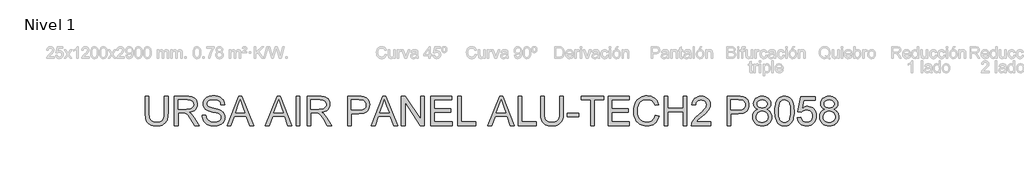
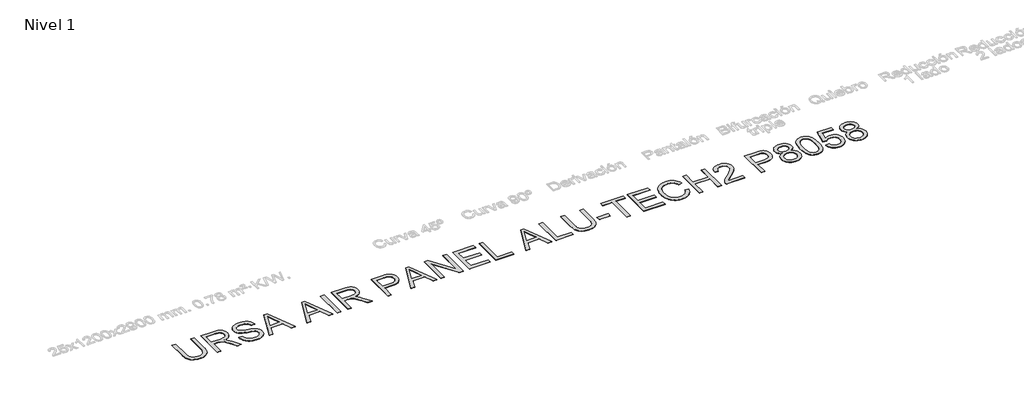
# One storey, part 3 of 7: 1 proxy.
"""IFC4 building model written with IfcOpenShell, lengths in millimetres."""

from ifc_helpers import new_model, si_unit, origin, origin_with_axes, place, context, project, spatial, polyline, outline, extrude, element, save

model = new_model("IFC4")

# Units and contexts
model_context = context("Model", 3, world=origin())
ifc_project = project(units=[si_unit("LENGTHUNIT", "METRE", prefix="MILLI")], contexts=[model_context])

# Site, building, storey
site = spatial("IfcSite", under=ifc_project)
building = spatial("IfcBuilding", under=site)
storey = spatial("IfcBuildingStorey", under=building, Name="Nivel 1", Elevation=0.0)

# Proxy
placement = place(None, origin())
element("IfcBuildingElementProxy", 1, Name="Texto de modelo 2", ObjectType="Texto de modelo 2", at=placement, inside=storey, context=model_context, shape_type="SweptSolid", body=[
    extrude(outline(polyline([(-18660.536209, -2321.7490961), (-18534.9658214, -2321.7490961), (-18534.9658214, -2901.2858659), (-18537.0964712, -2973.0458476), (-18543.4884209, -3037.0036653), (-18554.1416704, -3093.159319), (-18569.0562196, -3141.5128087), (-18589.5196556, -3183.8958802), (-18616.8195653, -3222.1402793), (-18650.9559488, -3256.246006), (-18691.928806, -3286.2130602), (-18739.7841222, -3310.6235634), (-18794.5678826, -3328.0596371), (-18856.2800873, -3338.5212813), (-18924.9207362, -3342.0084961), (-18991.8675952, -3338.9734696), (-19052.4225044, -3329.8683902), (-19106.585464, -3314.6932579), (-19154.3564739, -3293.4480727), (-19195.7431984, -3266.4470671), (-19230.7533016, -3234.0044737), (-19259.3867835, -3196.1202924), (-19281.6436442, -3152.7945232), (-19298.3286256, -3102.5403099), (-19310.2464694, -3043.8707958), (-19317.3971756, -2976.7859812), (-19319.7807444, -2901.2858659), (-19319.7807444, -2321.7490961), (-19194.2103567, -2321.7490961), (-19194.2103567, -2896.8712819), (-19192.6621866, -2957.5794753), (-19188.0176765, -3009.7190839), (-19180.2768261, -3053.2901078), (-19169.4396357, -3088.2925467), (-19154.8316548, -3117.2555897), (-19135.7784331, -3142.7084252), (-19112.2799707, -3164.6510534), (-19084.3362675, -3183.0834742), (-19052.4838181, -3197.6761266), (-19017.259117, -3208.0994498), (-18978.6621644, -3214.3534438), (-18936.6929601, -3216.4381084), (-18867.4851597, -3212.3147644), (-18808.9765941, -3199.9447323), (-18761.1672631, -3179.3280121), (-18741.2748107, -3165.927144), (-18724.0571669, -3150.4646039), (-18709.1694424, -3132.0705042), (-18696.2667478, -3109.8749571), (-18676.4164485, -3054.0795212), (-18664.5062689, -2983.0782961), (-18660.536209, -2896.8712819), (-18660.536209, -2321.7490961)])), origin_with_axes(), (0.0, 0.0, 1.0), 10.0),
    extrude(outline(polyline([(-18315.2176429, -3326.3121976), (-18315.2176429, -2321.7490961), (-17882.3431619, -2321.7490961), (-17820.2094258, -2323.4428862), (-17766.0004809, -2328.5242562), (-17719.7163274, -2336.9932063), (-17681.3569652, -2348.8497364), (-17648.6921097, -2365.0058874), (-17619.4914764, -2386.3737), (-17593.7550651, -2412.9531741), (-17571.482876, -2444.7443099), (-17553.5103077, -2480.0379888), (-17540.6727589, -2517.1250924), (-17532.9702296, -2556.0056208), (-17530.4027199, -2596.6795739), (-17534.6563554, -2648.2750237), (-17547.4172621, -2695.6398306), (-17568.68544, -2738.7739945), (-17598.460889, -2777.6775155), (-17637.1268195, -2811.1087918), (-17685.066442, -2837.8262217), (-17742.2797565, -2857.8298052), (-17808.7667629, -2871.1195423), (-17767.3800384, -2898.1588689), (-17737.3976558, -2924.8303136), (-17685.9554902, -2985.8374111), (-17635.6169705, -3054.0795212), (-17468.1080353, -3326.3121976), (-17614.0345601, -3326.3121976), (-17744.7552957, -3118.0909884), (-17797.0558527, -3038.6284774), (-17839.1783411, -2980.2578675), (-17874.2804148, -2940.0667595), (-17905.5197276, -2915.1427544), (-17935.1035714, -2900.519445), (-17965.2392382, -2891.2304247), (-18038.0798732, -2886.8158407), (-18189.6472552, -2886.8158407), (-18189.6472552, -3326.3121976), (-18315.2176429, -3326.3121976)]), holes=[polyline([(-18189.6472552, -2761.245453), (-17908.5854109, -2761.245453), (-17827.8659698, -2756.8002123), (-17765.2340601, -2743.4644899), (-17740.0494719, -2733.2404362), (-17718.0838511, -2720.3492379), (-17699.3371977, -2704.7908952), (-17683.8095118, -2686.565408), (-17671.631085, -2666.5694887), (-17662.9322086, -2645.6998497), (-17657.7128828, -2623.956491), (-17655.9731075, -2601.3394125), (-17659.2917097, -2569.22638), (-17669.2475162, -2540.0870603), (-17685.840527, -2513.9214534), (-17709.0707422, -2490.7295593), (-17739.4746562, -2471.7376513), (-17777.5887638, -2458.1720027), (-17823.4130648, -2450.0326135), (-17876.9475593, -2447.3194838), (-18189.6472552, -2447.3194838), (-18189.6472552, -2761.245453)])]), origin_with_axes(), (0.0, 0.0, 1.0), 10.0),
    extrude(outline(polyline([(-17357.7434368, -2980.9936315), (-17232.1730491, -2980.9936315), (-17226.4248929, -3017.5442406), (-17217.7643376, -3050.6766127), (-17206.1913832, -3080.3907481), (-17191.7060296, -3106.6866465), (-17173.572513, -3130.0931385), (-17151.0550692, -3151.1390543), (-17124.1536983, -3169.8243939), (-17092.8684003, -3186.1491575), (-17058.3488064, -3199.4005735), (-17021.7445479, -3208.8658707), (-16983.0556247, -3214.545049), (-16942.2820369, -3216.4381084), (-16872.3231442, -3210.7052806), (-16840.6086505, -3203.5392459), (-16811.070792, -3193.5067974), (-16784.4376683, -3180.9681527), (-16761.4373794, -3166.2835297), (-16742.0699252, -3149.4529284), (-16726.3353057, -3130.4763489), (-16714.1568789, -3110.1738613), (-16705.4580025, -3089.3655359), (-16700.2386767, -3068.0513728), (-16698.4989014, -3046.231372), (-16703.710563, -3004.200854), (-16719.3455478, -2967.872507), (-16732.4973292, -2951.7546771), (-16751.1060267, -2936.8784489), (-16775.1716406, -2923.2438225), (-16804.6941707, -2910.8507977), (-16871.0049003, -2891.1384542), (-16987.5315223, -2862.903511), (-17107.5530232, -2831.173689), (-17151.3539733, -2815.8835935), (-17184.3483897, -2800.9767085), (-17217.8793007, -2780.973125), (-17246.8576721, -2758.7315927), (-17271.2835037, -2734.2521116), (-17291.1567957, -2707.5346817), (-17306.55419, -2678.8552145), (-17317.5523288, -2648.4896215), (-17324.1512121, -2616.4379027), (-17326.3508399, -2582.700058), (-17323.6300459, -2545.3063861), (-17315.4676642, -2509.1543158), (-17301.8636946, -2474.2438473), (-17282.8181371, -2440.5749806), (-17258.5455896, -2409.5196088), (-17229.26065, -2382.4496253), (-17194.9633181, -2359.3650301), (-17155.6535941, -2340.2658232), (-17112.6573859, -2325.2976245), (-17067.3006016, -2314.6060541), (-17019.5832411, -2308.1911118), (-16969.5053045, -2306.0527977), (-16914.8748283, -2308.2907465), (-16863.5552899, -2315.0045929), (-16815.5466896, -2326.1943369), (-16770.8490272, -2341.8599785), (-16730.2900372, -2361.863562), (-16694.6974541, -2386.0671316), (-16664.0712781, -2414.4706873), (-16638.4115089, -2447.0742292), (-16617.9174161, -2482.9273953), (-16602.788269, -2521.0798239), (-16593.0240677, -2561.5315149), (-16588.6248122, -2604.2824684), (-16714.1951999, -2604.2824684), (-16722.5951721, -2564.2139878), (-16737.2491383, -2529.3571687), (-16758.1570983, -2499.7120113), (-16785.3190523, -2475.2785155), (-16819.2408379, -2456.1793085), (-16860.428293, -2442.5370179), (-16908.8814174, -2434.3516435), (-16964.6002113, -2431.6231854), (-17022.0971014, -2434.3209867), (-17071.2246762, -2442.4143906), (-17111.9829356, -2455.903397), (-17144.3718796, -2474.7880061), (-17169.0506301, -2497.4893909), (-17186.678309, -2522.4287245), (-17197.2549164, -2549.6060069), (-17200.7804522, -2579.0212381), (-17198.2819203, -2604.3284537), (-17190.7863246, -2627.2750931), (-17178.2936652, -2647.8611564), (-17160.803942, -2666.0866436), (-17133.2741061, -2683.3464406), (-17089.9253443, -2700.7901785), (-17030.7576567, -2718.4178574), (-16955.7710434, -2736.2294774), (-16817.3247859, -2769.8906799), (-16768.6110783, -2785.1117975), (-16733.5703183, -2799.2599259), (-16695.0730004, -2820.7043805), (-16661.9866134, -2844.8159796), (-16634.3111575, -2871.5947232), (-16612.0466326, -2901.0406112), (-16594.9324556, -2933.0003595), (-16582.7080435, -2967.320684), (-16575.3733962, -3004.0015846), (-16572.9285137, -3043.0430613), (-16575.7412782, -3082.3221285), (-16584.1795714, -3120.4515645), (-16598.2433935, -3157.4313692), (-16617.9327445, -3193.2615427), (-16642.9027349, -3226.5548633), (-16672.8084754, -3255.9241092), (-16707.6499661, -3281.3692806), (-16747.4272068, -3302.8903773), (-16790.9829022, -3320.0045543), (-16837.1597568, -3332.2289664), (-16885.9577706, -3339.5636137), (-16937.3769436, -3342.0084961), (-17001.6106728, -3339.3720085), (-17060.4028142, -3331.4625456), (-17113.7533677, -3318.2801074), (-17161.6623334, -3299.824694), (-17204.4209511, -3276.0656485), (-17242.3204608, -3246.972314), (-17275.3608625, -3212.5446906), (-17303.5421562, -3172.7827783), (-17326.243541, -3128.974164), (-17342.844216, -3082.4064348), (-17353.3441813, -3033.0795906), (-17357.7434368, -2980.9936315)])), origin_with_axes(), (0.0, 0.0, 1.0), 10.0),
    extrude(outline(polyline([(-16501.5594067, -3326.3121976), (-16100.5680319, -2321.7490961), (-15993.6369987, -2321.7490961), (-15592.6456239, -3326.3121976), (-15725.3283969, -3326.3121976), (-15840.352834, -3012.3862284), (-16254.0974513, -3012.3862284), (-16368.8766338, -3326.3121976), (-16501.5594067, -3326.3121976)]), holes=[polyline([(-16207.9895745, -2886.8158407), (-15886.2154561, -2886.8158407), (-15976.7144269, -2639.8443946), (-16047.1025153, -2447.3194838), (-16109.6424545, -2618.2619842), (-16207.9895745, -2886.8158407)])]), origin_with_axes(), (0.0, 0.0, 1.0), 10.0),
    extrude(outline(polyline([(-15183.070336, -3326.3121976), (-14782.0789612, -2321.7490961), (-14675.147928, -2321.7490961), (-14274.1565532, -3326.3121976), (-14406.8393261, -3326.3121976), (-14521.8637633, -3012.3862284), (-14935.6083805, -3012.3862284), (-15050.387563, -3326.3121976), (-15183.070336, -3326.3121976)]), holes=[polyline([(-14889.5005038, -2886.8158407), (-14567.7263854, -2886.8158407), (-14658.2253562, -2639.8443946), (-14728.6134446, -2447.3194838), (-14791.1533838, -2618.2619842), (-14889.5005038, -2886.8158407)])]), origin_with_axes(), (0.0, 0.0, 1.0), 10.0),
    extrude(outline(polyline([(-14124.3059538, -3326.3121976), (-14124.3059538, -2321.7490961), (-13998.7355662, -2321.7490961), (-13998.7355662, -3326.3121976), (-14124.3059538, -3326.3121976)])), origin_with_axes(), (0.0, 0.0, 1.0), 10.0),
    extrude(outline(polyline([(-13747.5947908, -3326.3121976), (-13747.5947908, -2321.7490961), (-13314.7203098, -2321.7490961), (-13252.5865737, -2323.4428862), (-13198.3776288, -2328.5242562), (-13152.0934753, -2336.9932063), (-13113.7341131, -2348.8497364), (-13081.0692576, -2365.0058874), (-13051.8686242, -2386.3737), (-13026.132213, -2412.9531741), (-13003.8600239, -2444.7443099), (-12985.8874556, -2480.0379888), (-12973.0499068, -2517.1250924), (-12965.3473775, -2556.0056208), (-12962.7798677, -2596.6795739), (-12967.0335033, -2648.2750237), (-12979.79441, -2695.6398306), (-13001.0625879, -2738.7739945), (-13030.8380369, -2777.6775155), (-13069.5039674, -2811.1087918), (-13117.4435899, -2837.8262217), (-13174.6569043, -2857.8298052), (-13241.1439108, -2871.1195423), (-13199.7571863, -2898.1588689), (-13169.7748037, -2924.8303136), (-13118.332638, -2985.8374111), (-13067.9941184, -3054.0795212), (-12900.4851832, -3326.3121976), (-13046.411708, -3326.3121976), (-13177.1324436, -3118.0909884), (-13229.4330006, -3038.6284774), (-13271.555489, -2980.2578675), (-13306.6575627, -2940.0667595), (-13337.8968755, -2915.1427544), (-13367.4807193, -2900.519445), (-13397.616386, -2891.2304247), (-13470.4570211, -2886.8158407), (-13622.0244031, -2886.8158407), (-13622.0244031, -3326.3121976), (-13747.5947908, -3326.3121976)]), holes=[polyline([(-13622.0244031, -2761.245453), (-13340.9625588, -2761.245453), (-13260.2431177, -2756.8002123), (-13197.611208, -2743.4644899), (-13172.4266197, -2733.2404362), (-13150.4609989, -2720.3492379), (-13131.7143456, -2704.7908952), (-13116.1866597, -2686.565408), (-13104.0082329, -2666.5694887), (-13095.3093565, -2645.6998497), (-13090.0900307, -2623.956491), (-13088.3502554, -2601.3394125), (-13091.6688576, -2569.22638), (-13101.6246641, -2540.0870603), (-13118.2176749, -2513.9214534), (-13141.4478901, -2490.7295593), (-13171.8518041, -2471.7376513), (-13209.9659117, -2458.1720027), (-13255.7902127, -2450.0326135), (-13309.3247072, -2447.3194838), (-13622.0244031, -2447.3194838), (-13622.0244031, -2761.245453)])]), origin_with_axes(), (0.0, 0.0, 1.0), 10.0),
    extrude(outline(polyline([(-12350.6242278, -3326.3121976), (-12350.6242278, -2321.7490961), (-11978.3276487, -2321.7490961), (-11891.6301251, -2324.1403291), (-11828.2317946, -2331.314028), (-11793.2906693, -2338.8479447), (-11761.3079283, -2349.1869616), (-11732.2835718, -2362.3310787), (-11706.2175996, -2378.2802961), (-11682.8341002, -2397.3641746), (-11661.8571623, -2419.9122752), (-11643.2867858, -2445.9245979), (-11627.1229706, -2475.4011428), (-11614.0325029, -2507.3685553), (-11604.6821689, -2540.8534811), (-11599.0719685, -2575.8559201), (-11597.2019016, -2612.3758723), (-11602.2526149, -2674.0420918), (-11617.4047545, -2730.7725611), (-11642.6583207, -2782.5672803), (-11678.0133133, -2829.4262495), (-11700.2490974, -2850.2345748), (-11726.550744, -2868.2684568), (-11756.9182531, -2883.5278954), (-11791.3516246, -2896.0128906), (-11829.8508586, -2905.7234424), (-11872.4159551, -2912.6595509), (-11969.7437354, -2918.2084376), (-12225.0538401, -2918.2084376), (-12225.0538401, -3326.3121976), (-12350.6242278, -3326.3121976)]), holes=[polyline([(-12225.0538401, -2792.63805), (-11962.3860955, -2792.63805), (-11901.9921347, -2789.7563077), (-11851.0404783, -2781.1110808), (-11809.5311265, -2766.7023693), (-11777.4640793, -2746.5301732), (-11753.5364212, -2721.1309871), (-11736.4452368, -2691.0413056), (-11726.1905262, -2656.2611287), (-11722.7722893, -2616.7904563), (-11724.7879761, -2587.482524), (-11730.8350364, -2560.3818837), (-11740.9134702, -2535.4885353), (-11755.0232776, -2512.802479), (-11772.4133661, -2493.0594786), (-11792.3326433, -2476.9952981), (-11814.7811092, -2464.6099376), (-11839.7587638, -2455.903397), (-11888.1965598, -2449.4654621), (-11965.3291515, -2447.3194838), (-12225.0538401, -2447.3194838), (-12225.0538401, -2792.63805)])]), origin_with_axes(), (0.0, 0.0, 1.0), 10.0),
    extrude(outline(polyline([(-11541.529093, -3326.3121976), (-11140.5377183, -2321.7490961), (-11033.606685, -2321.7490961), (-10632.6153103, -3326.3121976), (-10765.2980832, -3326.3121976), (-10880.3225204, -3012.3862284), (-11294.0671376, -3012.3862284), (-11408.8463201, -3326.3121976), (-11541.529093, -3326.3121976)]), holes=[polyline([(-11247.9592609, -2886.8158407), (-10926.1851424, -2886.8158407), (-11016.6841133, -2639.8443946), (-11087.0722017, -2447.3194838), (-11149.6121408, -2618.2619842), (-11247.9592609, -2886.8158407)])]), origin_with_axes(), (0.0, 0.0, 1.0), 10.0),
    extrude(outline(polyline([(-10498.4610094, -3326.3121976), (-10498.4610094, -2321.7490961), (-10364.0614538, -2321.7490961), (-9839.216474, -3117.600479), (-9839.216474, -2321.7490961), (-9713.6460863, -2321.7490961), (-9713.6460863, -3326.3121976), (-9848.0456419, -3326.3121976), (-10372.8906217, -2530.2155601), (-10372.8906217, -3326.3121976), (-10498.4610094, -3326.3121976)])), origin_with_axes(), (0.0, 0.0, 1.0), 10.0),
    extrude(outline(polyline([(-9493.8979079, -3326.3121976), (-9493.8979079, -2321.7490961), (-8771.8681787, -2321.7490961), (-8771.8681787, -2447.3194838), (-9368.3275202, -2447.3194838), (-9368.3275202, -2745.5491546), (-8803.2607756, -2745.5491546), (-8803.2607756, -2871.1195423), (-9368.3275202, -2871.1195423), (-9368.3275202, -3200.7418099), (-8756.1718802, -3200.7418099), (-8756.1718802, -3326.3121976), (-9493.8979079, -3326.3121976)])), origin_with_axes(), (0.0, 0.0, 1.0), 10.0),
    extrude(outline(polyline([(-8567.8162987, -3326.3121976), (-8567.8162987, -2321.7490961), (-8442.245911, -2321.7490961), (-8442.245911, -3200.7418099), (-7939.9643603, -3200.7418099), (-7939.9643603, -3326.3121976), (-8567.8162987, -3326.3121976)])), origin_with_axes(), (0.0, 0.0, 1.0), 10.0),
    extrude(outline(polyline([(-7523.2766871, -3326.3121976), (-7122.2853123, -2321.7490961), (-7015.3542791, -2321.7490961), (-6614.3629043, -3326.3121976), (-6747.0456772, -3326.3121976), (-6862.0701144, -3012.3862284), (-7275.8147316, -3012.3862284), (-7390.5939141, -3326.3121976), (-7523.2766871, -3326.3121976)]), holes=[polyline([(-7229.7068549, -2886.8158407), (-6907.9327365, -2886.8158407), (-6998.4317073, -2639.8443946), (-7068.8197957, -2447.3194838), (-7131.3597349, -2618.2619842), (-7229.7068549, -2886.8158407)])]), origin_with_axes(), (0.0, 0.0, 1.0), 10.0),
    extrude(outline(polyline([(-6480.2086034, -3326.3121976), (-6480.2086034, -2321.7490961), (-6354.6382157, -2321.7490961), (-6354.6382157, -3200.7418099), (-5852.356665, -3200.7418099), (-5852.356665, -3326.3121976), (-6480.2086034, -3326.3121976)])), origin_with_axes(), (0.0, 0.0, 1.0), 10.0),
    extrude(outline(polyline([(-5051.8454435, -2321.7490961), (-4926.2750558, -2321.7490961), (-4926.2750558, -2901.2858659), (-4928.4057057, -2973.0458476), (-4934.7976553, -3037.0036653), (-4945.4509048, -3093.159319), (-4960.365454, -3141.5128087), (-4980.82889, -3183.8958802), (-5008.1287997, -3222.1402793), (-5042.2651832, -3256.246006), (-5083.2380404, -3286.2130602), (-5131.0933566, -3310.6235634), (-5185.877117, -3328.0596371), (-5247.5893217, -3338.5212813), (-5316.2299707, -3342.0084961), (-5383.1768296, -3338.9734696), (-5443.7317388, -3329.8683902), (-5497.8946984, -3314.6932579), (-5545.6657083, -3293.4480727), (-5587.0524328, -3266.4470671), (-5622.062536, -3234.0044737), (-5650.6960179, -3196.1202924), (-5672.9528787, -3152.7945232), (-5689.63786, -3102.5403099), (-5701.5557038, -3043.8707958), (-5708.7064101, -2976.7859812), (-5711.0899788, -2901.2858659), (-5711.0899788, -2321.7490961), (-5585.5195911, -2321.7490961), (-5585.5195911, -2896.8712819), (-5583.9714211, -2957.5794753), (-5579.3269109, -3009.7190839), (-5571.5860606, -3053.2901078), (-5560.7488701, -3088.2925467), (-5546.1408892, -3117.2555897), (-5527.0876676, -3142.7084252), (-5503.5892051, -3164.6510534), (-5475.6455019, -3183.0834742), (-5443.7930525, -3197.6761266), (-5408.5683515, -3208.0994498), (-5369.9713988, -3214.3534438), (-5328.0021945, -3216.4381084), (-5258.7943942, -3212.3147644), (-5200.2858285, -3199.9447323), (-5152.4764976, -3179.3280121), (-5132.5840451, -3165.927144), (-5115.3664013, -3150.4646039), (-5100.4786768, -3132.0705042), (-5087.5759822, -3109.8749571), (-5067.7256829, -3054.0795212), (-5055.8155033, -2983.0782961), (-5051.8454435, -2896.8712819), (-5051.8454435, -2321.7490961)])), origin_with_axes(), (0.0, 0.0, 1.0), 10.0),
    extrude(outline(polyline([(-4785.0083696, -3028.0825269), (-4785.0083696, -2902.5121392), (-4392.6009081, -2902.5121392), (-4392.6009081, -3028.0825269), (-4785.0083696, -3028.0825269)])), origin_with_axes(), (0.0, 0.0, 1.0), 10.0),
    extrude(outline(polyline([(-3984.4971481, -3326.3121976), (-3984.4971481, -2447.3194838), (-4314.1194158, -2447.3194838), (-4314.1194158, -2321.7490961), (-3529.3044928, -2321.7490961), (-3529.3044928, -2447.3194838), (-3858.9267604, -2447.3194838), (-3858.9267604, -3326.3121976), (-3984.4971481, -3326.3121976)])), origin_with_axes(), (0.0, 0.0, 1.0), 10.0),
    extrude(outline(polyline([(-3388.0378066, -3326.3121976), (-3388.0378066, -2321.7490961), (-2666.0080774, -2321.7490961), (-2666.0080774, -2447.3194838), (-3262.4674189, -2447.3194838), (-3262.4674189, -2745.5491546), (-2697.4006743, -2745.5491546), (-2697.4006743, -2871.1195423), (-3262.4674189, -2871.1195423), (-3262.4674189, -3200.7418099), (-2650.3117789, -3200.7418099), (-2650.3117789, -3326.3121976), (-3388.0378066, -3326.3121976)])), origin_with_axes(), (0.0, 0.0, 1.0), 10.0),
    extrude(outline(polyline([(-1755.6227667, -2969.2214076), (-1630.052379, -3001.5950232), (-1654.8997421, -3079.6856409), (-1687.9937932, -3147.9200868), (-1729.3345324, -3206.2983609), (-1753.0974101, -3231.7914335), (-1778.9219597, -3254.8204632), (-1835.6371006, -3292.9652276), (-1898.3609808, -3320.2114879), (-1967.0936002, -3336.559244), (-2041.8349589, -3342.0084961), (-2118.4080634, -3337.8851521), (-2187.4855722, -3325.51512), (-2249.0674853, -3304.8983998), (-2303.1538028, -3276.0349916), (-2350.4879529, -3239.354091), (-2391.8133637, -3195.2848937), (-2427.1300352, -3143.8273996), (-2456.4379675, -3084.9816088), (-2479.4535848, -3021.2920384), (-2495.8933115, -2955.3032055), (-2505.7571475, -2887.0151101), (-2509.0450928, -2816.4277523), (-2505.3279518, -2740.6900466), (-2494.1765288, -2669.9494046), (-2475.5908239, -2604.2058263), (-2449.5708369, -2543.4593119), (-2416.6990478, -2488.7138725), (-2377.5579364, -2440.9735194), (-2332.1475026, -2400.2382526), (-2280.4677465, -2366.5080722), (-2224.2737717, -2340.0588896), (-2165.320682, -2321.1666163), (-2103.6084773, -2309.8312523), (-2039.1371576, -2306.0527977), (-1967.3158623, -2310.9425625), (-1901.4573209, -2325.6118571), (-1841.5615336, -2350.0606813), (-1787.6285003, -2384.2890353), (-1740.5472691, -2427.3925424), (-1701.2068882, -2478.4668261), (-1669.6073577, -2537.5118863), (-1645.7486775, -2604.5277231), (-1771.3190651, -2634.448792), (-1791.0927224, -2585.0682984), (-1814.8517679, -2542.8768321), (-1842.5962017, -2507.8743931), (-1874.3260238, -2480.0609814), (-1910.2251752, -2458.8694456), (-1950.4775968, -2443.7326344), (-1995.0832887, -2434.6505476), (-2044.0422509, -2431.6231854), (-2100.3741814, -2434.9801086), (-2151.8929891, -2445.0508782), (-2198.5986741, -2461.8354942), (-2240.4912363, -2485.3339567), (-2277.0418454, -2514.4886048), (-2307.7216709, -2548.2417778), (-2332.530713, -2586.5934758), (-2351.4689715, -2629.5436988), (-2365.47148, -2675.1457377), (-2375.4732717, -2721.4528839), (-2381.4743468, -2768.4651372), (-2383.4747051, -2816.1824977), (-2381.1064648, -2876.1472629), (-2374.0017437, -2932.1879535), (-2362.160542, -2984.3045694), (-2345.5828596, -3032.4971108), (-2324.0004492, -3075.8075515), (-2297.1450636, -3113.2778656), (-2265.0167027, -3144.908053), (-2227.6153665, -3170.6981137), (-2186.7574724, -3190.7093614), (-2144.2594377, -3205.0031097), (-2100.1212625, -3213.5793587), (-2054.3429468, -3216.4381084), (-1999.7507915, -3212.5446906), (-1949.527235, -3200.8644373), (-1903.6722771, -3181.3973484), (-1862.1859179, -3154.1434239), (-1826.0491761, -3119.2252912), (-1796.2430703, -3076.7655776), (-1772.7676005, -3026.7642831), (-1755.6227667, -2969.2214076)])), origin_with_axes(), (0.0, 0.0, 1.0), 10.0),
    extrude(outline(polyline([(-1457.3930959, -3326.3121976), (-1457.3930959, -2321.7490961), (-1331.8227082, -2321.7490961), (-1331.8227082, -2729.8528561), (-798.1485606, -2729.8528561), (-798.1485606, -2321.7490961), (-672.5781729, -2321.7490961), (-672.5781729, -3326.3121976), (-798.1485606, -3326.3121976), (-798.1485606, -2855.4232438), (-1331.8227082, -2855.4232438), (-1331.8227082, -3326.3121976), (-1457.3930959, -3326.3121976)])), origin_with_axes(), (0.0, 0.0, 1.0), 10.0),
    extrude(outline(polyline([(143.6293471, -3200.7418099), (143.6293471, -3326.3121976), (-515.6151883, -3326.3121976), (-512.8560733, -3282.1050445), (-502.1261818, -3239.7373014), (-488.4379059, -3205.6545674), (-471.1627805, -3172.0776712), (-450.3008057, -3139.0066126), (-425.8519814, -3106.4413918), (-396.3447797, -3073.1097502), (-360.3076726, -3037.7394292), (-268.6437422, -2960.8827491), (-133.1405406, -2840.524023), (-85.7144201, -2792.162869), (-51.8386197, -2751.6805212), (-28.1255594, -2715.382831), (-11.1876592, -2679.5756501), (-1.0249191, -2644.2589786), (2.3626609, -2609.4328164), (-0.8333139, -2576.6683262), (-10.4212384, -2546.555652), (-26.4011126, -2519.0947939), (-48.7729364, -2494.2857519), (-76.2951082, -2473.7380096), (-107.7260261, -2459.0610508), (-143.0656903, -2450.2548756), (-182.3141006, -2447.3194838), (-223.6625041, -2450.1858977), (-260.6423088, -2458.7851393), (-293.2535148, -2473.1172087), (-321.4961221, -2493.1821059), (-344.3431269, -2518.3053805), (-360.7675251, -2547.8125822), (-370.7693169, -2581.703711), (-374.3485021, -2619.9787669), (-499.9188898, -2604.2824684), (-489.1200204, -2539.4585952), (-469.4766547, -2482.8200964), (-440.9887927, -2434.3669719), (-403.6564344, -2394.0992219), (-358.3379711, -2362.4460418), (-305.8917942, -2339.8366276), (-246.3179036, -2326.270979), (-179.6162993, -2321.7490961), (-112.3168868, -2326.7768167), (-52.4210995, -2341.8599785), (0.0710627, -2366.9985815), (45.1595997, -2402.1926257), (81.3729836, -2444.8362804), (107.2396864, -2492.3237146), (122.7597081, -2544.6549284), (127.9330486, -2601.8299218), (122.353505, -2661.8866575), (105.6148743, -2720.9010609), (75.9084031, -2780.9271398), (31.4253386, -2844.018902), (0.7301846, -2879.0060125), (-39.483916, -2919.3427405), (-148.4689571, -3016.0650484), (-292.9239539, -3136.8529701), (-324.2552371, -3168.7054195), (-349.5777811, -3200.7418099), (143.6293471, -3200.7418099)])), origin_with_axes(), (0.0, 0.0, 1.0), 10.0),
    extrude(outline(polyline([(708.6960917, -3326.3121976), (708.6960917, -2321.7490961), (1080.9926708, -2321.7490961), (1167.6901943, -2324.1403291), (1231.0885248, -2331.314028), (1266.0296502, -2338.8479447), (1298.0123911, -2349.1869616), (1327.0367477, -2362.3310787), (1353.1027199, -2378.2802961), (1376.4862192, -2397.3641746), (1397.4631571, -2419.9122752), (1416.0335337, -2445.9245979), (1432.1973489, -2475.4011428), (1445.2878165, -2507.3685553), (1454.6381506, -2540.8534811), (1460.248351, -2575.8559201), (1462.1184178, -2612.3758723), (1457.0677046, -2674.0420918), (1441.9155649, -2730.7725611), (1416.6619988, -2782.5672803), (1381.3070062, -2829.4262495), (1359.0712221, -2850.2345748), (1332.7695755, -2868.2684568), (1302.4020664, -2883.5278954), (1267.9686948, -2896.0128906), (1229.4694608, -2905.7234424), (1186.9043644, -2912.6595509), (1089.576584, -2918.2084376), (834.2664794, -2918.2084376), (834.2664794, -3326.3121976), (708.6960917, -3326.3121976)]), holes=[polyline([(834.2664794, -2792.63805), (1096.9342239, -2792.63805), (1157.3281848, -2789.7563077), (1208.2798411, -2781.1110808), (1249.7891929, -2766.7023693), (1281.8562402, -2746.5301732), (1305.7838983, -2721.1309871), (1322.8750826, -2691.0413056), (1333.1297932, -2656.2611287), (1336.5480301, -2616.7904563), (1334.5323433, -2587.482524), (1328.4852831, -2560.3818837), (1318.4068492, -2535.4885353), (1304.2970419, -2512.802479), (1286.9069534, -2493.0594786), (1266.9876762, -2476.9952981), (1244.5392103, -2464.6099376), (1219.5615556, -2455.903397), (1171.1237596, -2449.4654621), (1093.991168, -2447.3194838), (834.2664794, -2447.3194838), (834.2664794, -2792.63805)])]), origin_with_axes(), (0.0, 0.0, 1.0), 10.0),
    extrude(outline(polyline([(1770.6487844, -2773.0176769), (1734.527371, -2757.9345151), (1703.4183498, -2739.9082973), (1677.3217208, -2718.9390236), (1656.2374839, -2695.0266939), (1639.9816983, -2668.4012345), (1628.3704228, -2639.2925716), (1621.4036575, -2607.7007053), (1619.0814024, -2573.6256355), (1624.1397798, -2522.4133961), (1639.3149121, -2475.4624565), (1664.6067993, -2432.7728166), (1700.0154413, -2394.3444765), (1743.839384, -2362.5839976), (1794.3771731, -2339.8979412), (1851.6288086, -2326.2863074), (1915.5942905, -2321.7490961), (1979.8663408, -2326.3936063), (2037.5471719, -2340.3271369), (2088.636784, -2363.5496878), (2133.135177, -2396.0612592), (2169.1876125, -2435.2406916), (2194.9393522, -2478.4668261), (2210.390396, -2525.7396625), (2215.5407439, -2577.0592008), (2213.2491457, -2609.9309899), (2206.3743509, -2640.6108155), (2194.9163596, -2669.0986775), (2178.8751717, -2695.3945759), (2158.1741453, -2719.1459572), (2132.7366382, -2740.0002678), (2102.5626504, -2757.9575077), (2067.6521819, -2773.0176769), (2108.9239432, -2790.5763779), (2144.9380577, -2812.8409029), (2175.6945253, -2839.8112516), (2201.1933461, -2871.4874243), (2221.2045938, -2907.1643136), (2235.4983422, -2946.1368124), (2244.0745912, -2988.4049209), (2246.9333408, -3033.9686388), (2241.2618268, -3096.6005485), (2224.2472845, -3154.0207966), (2195.889714, -3206.229383), (2156.1891154, -3253.2263079), (2132.6063466, -3274.0346333), (2107.2301532, -3292.0685152), (2080.060535, -3307.3279538), (2051.0974921, -3319.812949), (1987.7911321, -3336.4596093), (1917.3110732, -3342.0084961), (1846.8310143, -3336.4366167), (1783.5246543, -3319.7209785), (1754.5616113, -3307.1842499), (1727.3919932, -3291.8615816), (1702.0157997, -3273.7529736), (1678.433031, -3252.8584259), (1638.7324323, -3205.5319401), (1610.3748619, -3152.7025527), (1593.3603196, -3094.3702639), (1587.6888055, -3030.5350735), (1590.6625183, -2982.8943551), (1599.5836567, -2939.3003387), (1614.4522206, -2899.7530242), (1635.2682102, -2864.2524117), (1661.5717729, -2833.4422946), (1692.9030561, -2807.9664664), (1729.26206, -2787.8249272), (1770.6487844, -2773.0176769)]), holes=[polyline([(1744.6517901, -2577.3044554), (1747.4338977, -2606.0912216), (1755.7802205, -2632.1188727), (1769.6907584, -2655.3874089), (1789.1655115, -2675.8968302), (1813.9592251, -2692.6354609), (1843.8266446, -2704.5916258), (1878.76777, -2711.7653247), (1918.7826011, -2714.1565577), (1957.8087495, -2711.7806531), (1991.9911182, -2704.6529394), (2021.3297073, -2692.7734167), (2045.8245168, -2676.1420848), (2065.1383216, -2656.0618593), (2078.9338964, -2633.8356554), (2087.2112413, -2609.4634732), (2089.9703562, -2582.9453127), (2087.1192708, -2555.3924841), (2078.5660144, -2530.1235896), (2064.3105871, -2507.1386291), (2044.3529888, -2486.4376026), (2019.3063563, -2469.3234257), (1989.7838262, -2457.0990135), (1955.7853985, -2449.7643662), (1917.3110732, -2447.3194838), (1878.5378437, -2449.7107168), (1844.3784676, -2456.8844157), (1814.8329449, -2468.8405805), (1789.9012755, -2485.5792113), (1770.1046256, -2505.6594369), (1755.9641614, -2527.6403861), (1747.4798829, -2551.522059), (1744.6517901, -2577.3044554)]), polyline([(1713.2591932, -3026.1204896), (1718.5015116, -3074.1597468), (1734.2284669, -3120.6661623), (1746.7287905, -3142.2409085), (1763.2604877, -3161.2251523), (1783.8235584, -3177.6188937), (1808.4180026, -3191.4221327), (1862.4966559, -3210.1841145), (1918.2920918, -3216.4381084), (1963.6948614, -3213.1501631), (2003.763342, -3203.2863271), (2038.4975337, -3186.8466004), (2067.8974365, -3163.8309831), (2091.2886001, -3135.7416599), (2107.996574, -3104.0808157), (2118.0213584, -3068.8484505), (2121.3629532, -3030.0445642), (2117.9140595, -2990.619877), (2107.5673783, -2954.7513825), (2090.3229098, -2922.4390806), (2066.1806539, -2893.6829713), (2035.9836734, -2870.0772099), (2000.5750314, -2853.2159518), (1959.9547278, -2843.099197), (1914.1227625, -2839.7269453), (1869.3867791, -2843.0532117), (1829.8471288, -2853.0320108), (1795.5038117, -2869.6633427), (1766.3568278, -2892.9472073), (1743.1266127, -2921.2281357), (1726.5336018, -2952.8506589), (1716.5777953, -2987.8147768), (1713.2591932, -3026.1204896)])]), origin_with_axes(), (0.0, 0.0, 1.0), 10.0),
    extrude(outline(polyline([(2356.8074301, -2832.1240508), (2359.1143568, -2747.6568118), (2366.0351368, -2671.3289621), (2377.5697702, -2603.1405014), (2393.7182569, -2543.0914299), (2414.4116192, -2490.6912382), (2439.580879, -2445.449417), (2469.2260364, -2407.3659663), (2503.3470915, -2376.4408861), (2542.0590073, -2352.513228), (2585.4767469, -2335.4220436), (2633.6003104, -2325.167333), (2686.4296978, -2321.7490961), (2726.1302964, -2323.7724471), (2763.8075441, -2329.8425), (2799.4614408, -2339.9592549), (2833.0919865, -2354.1227117), (2863.8867752, -2372.09528), (2891.0334007, -2393.6393694), (2914.5318632, -2418.7549797), (2934.3821625, -2447.4421112), (2967.1236601, -2515.0710846), (2993.2432817, -2596.0664372), (3003.2220808, -2643.6994914), (3010.3497945, -2698.9201117), (3016.0519654, -2832.1240508), (3013.7680314, -2916.0547951), (3006.9162292, -2991.9994345), (2995.4965589, -3059.9579689), (2979.5090206, -3119.9303983), (2958.9766067, -3172.3535826), (2933.92231, -3217.6643817), (2904.3461304, -3255.8627956), (2870.248068, -3286.9488241), (2831.490167, -3311.0374306), (2787.9344716, -3328.2435781), (2739.5809818, -3338.5672666), (2686.4296978, -3342.0084961), (2617.2678827, -3336.0304137), (2585.6300311, -3328.5578106), (2555.9542168, -3318.0961664), (2528.2404398, -3304.645481), (2502.4887002, -3288.2057543), (2478.6989978, -3268.7769864), (2456.8713328, -3246.3591773), (2433.4188556, -3210.8623969), (2413.0933753, -3170.7134421), (2395.8948921, -3125.9123129), (2381.8234057, -3076.4590092), (2370.8789164, -3022.3535312), (2363.061424, -2963.5958788), (2358.3709286, -2900.186052), (2356.8074301, -2832.1240508)]), holes=[polyline([(2482.3778178, -2831.8787961), (2486.0566377, -2941.040114), (2497.0930976, -3029.4007707), (2515.4871973, -3096.9607663), (2527.4433622, -3122.9405161), (2541.238937, -3143.7201007), (2572.3862792, -3175.5342291), (2606.9671868, -3198.2586065), (2644.9816596, -3211.8932329), (2686.4296978, -3216.4381084), (2727.8777359, -3211.8779045), (2765.8922087, -3198.1972928), (2800.4731163, -3175.3962733), (2831.6204585, -3143.474846), (2845.4160333, -3122.6454441), (2857.3721982, -3096.6388695), (2875.7662979, -3029.0942024), (2886.8027578, -2940.8408446), (2890.4815777, -2831.8787961), (2886.9253851, -2725.6068848), (2876.2568073, -2638.8020623), (2858.4758442, -2571.4643288), (2846.9182181, -2545.0956204), (2833.5824958, -2523.5936842), (2802.9563197, -2490.2237215), (2767.9768733, -2466.3880339), (2728.6441567, -2452.0866213), (2684.9581698, -2447.3194838), (2643.7247295, -2451.5194699), (2606.3540501, -2464.1194283), (2572.8461317, -2485.1193588), (2543.2009743, -2514.5192616), (2528.945547, -2538.308964), (2516.5908433, -2566.6358776), (2497.5836069, -2636.9013387), (2486.179265, -2725.3156448), (2482.3778178, -2831.8787961)])]), origin_with_axes(), (0.0, 0.0, 1.0), 10.0),
    extrude(outline(polyline([(3125.9260547, -3059.4751238), (3251.4964423, -3043.7788253), (3260.8774332, -3084.1462101), (3274.5503807, -3119.1639775), (3292.5152848, -3148.8321276), (3314.7721455, -3173.1506603), (3341.2749776, -3192.0889188), (3371.9777958, -3205.6162464), (3406.8806001, -3213.7326429), (3445.9833905, -3216.4381084), (3493.8080498, -3212.6749822), (3535.9918519, -3201.3856034), (3572.5347968, -3182.5699722), (3603.4368844, -3156.2280885), (3628.008336, -3123.6628677), (3645.5593728, -3086.1772253), (3656.089995, -3043.7711611), (3659.6002023, -2996.4446753), (3656.312257, -2951.716356), (3646.448421, -2911.9544437), (3630.0086943, -2877.1589384), (3606.993077, -2847.3298399), (3577.3249269, -2823.4021818), (3540.927602, -2806.3109974), (3497.8011023, -2796.0562868), (3447.9454278, -2792.63805), (3387.0303007, -2798.0949662), (3360.9183433, -2804.9161115), (3337.7034565, -2814.465715), (3298.3094262, -2839.5430043), (3267.1927408, -2871.1195423), (3141.6223531, -2855.4232438), (3251.4964423, -2337.4453946), (3738.0816946, -2337.4453946), (3738.0816946, -2463.0157823), (3353.031873, -2463.0157823), (3299.3211017, -2739.6630427), (3343.6355537, -2707.9025637), (3389.0229949, -2685.2165074), (3435.4834252, -2671.6048735), (3483.0168446, -2667.0676623), (3544.1695621, -2672.6931911), (3600.3405443, -2689.5697776), (3651.5297911, -2717.6974219), (3697.7373025, -2757.0761238), (3735.9893658, -2805.299322), (3763.3122681, -2859.9604551), (3779.7060095, -2921.0595231), (3785.17059, -2988.5965261), (3780.2501683, -3053.6503255), (3765.4889033, -3114.1669137), (3740.8867948, -3170.1462907), (3706.443843, -3221.5884563), (3681.4431958, -3249.8119032), (3654.2659134, -3274.2722237), (3624.9119959, -3294.9694181), (3593.3814432, -3311.9034862), (3559.6742554, -3325.074428), (3523.7904324, -3334.4822436), (3485.7299744, -3340.126933), (3445.4928811, -3342.0084961), (3380.6920005, -3337.1723807), (3322.1604422, -3322.6640345), (3269.8982063, -3298.4834575), (3223.9052927, -3264.6306498), (3185.637901, -3222.791737), (3156.5522308, -3174.6528451), (3136.648282, -3120.213974), (3125.9260547, -3059.4751238)])), origin_with_axes(), (0.0, 0.0, 1.0), 10.0),
    extrude(outline(polyline([(4078.0046582, -2773.0176769), (4041.8832448, -2757.9345151), (4010.7742236, -2739.9082973), (3984.6775945, -2718.9390236), (3963.5933577, -2695.0266939), (3947.337572, -2668.4012345), (3935.7262965, -2639.2925716), (3928.7595313, -2607.7007053), (3926.4372762, -2573.6256355), (3931.4956536, -2522.4133961), (3946.6707859, -2475.4624565), (3971.9626731, -2432.7728166), (4007.3713151, -2394.3444765), (4051.1952578, -2362.5839976), (4101.7330469, -2339.8979412), (4158.9846824, -2326.2863074), (4222.9501643, -2321.7490961), (4287.2222145, -2326.3936063), (4344.9030457, -2340.3271369), (4395.9926578, -2363.5496878), (4440.4910508, -2396.0612592), (4476.5434863, -2435.2406916), (4502.2952259, -2478.4668261), (4517.7462697, -2525.7396625), (4522.8966177, -2577.0592008), (4520.6050194, -2609.9309899), (4513.7302246, -2640.6108155), (4502.2722333, -2669.0986775), (4486.2310455, -2695.3945759), (4465.5300191, -2719.1459572), (4440.0925119, -2740.0002678), (4409.9185241, -2757.9575077), (4375.0080556, -2773.0176769), (4416.2798169, -2790.5763779), (4452.2939314, -2812.8409029), (4483.0503991, -2839.8112516), (4508.5492199, -2871.4874243), (4528.5604676, -2907.1643136), (4542.8542159, -2946.1368124), (4551.4304649, -2988.4049209), (4554.2892146, -3033.9686388), (4548.6177005, -3096.6005485), (4531.6031582, -3154.0207966), (4503.2455878, -3206.229383), (4463.5449891, -3253.2263079), (4439.9622204, -3274.0346333), (4414.5860269, -3292.0685152), (4387.4164087, -3307.3279538), (4358.4533658, -3319.812949), (4295.1470058, -3336.4596093), (4224.6669469, -3342.0084961), (4154.186888, -3336.4366167), (4090.880528, -3319.7209785), (4061.9174851, -3307.1842499), (4034.7478669, -3291.8615816), (4009.3716734, -3273.7529736), (3985.7889047, -3252.8584259), (3946.0883061, -3205.5319401), (3917.7307356, -3152.7025527), (3900.7161933, -3094.3702639), (3895.0446792, -3030.5350735), (3898.018392, -2982.8943551), (3906.9395304, -2939.3003387), (3921.8080944, -2899.7530242), (3942.6240839, -2864.2524117), (3968.9276466, -2833.4422946), (4000.2589299, -2807.9664664), (4036.6179337, -2787.8249272), (4078.0046582, -2773.0176769)]), holes=[polyline([(4052.0076638, -2577.3044554), (4054.7897714, -2606.0912216), (4063.1360942, -2632.1188727), (4077.0466321, -2655.3874089), (4096.5213853, -2675.8968302), (4121.3150989, -2692.6354609), (4151.1825184, -2704.5916258), (4186.1236437, -2711.7653247), (4226.1384749, -2714.1565577), (4265.1646232, -2711.7806531), (4299.3469919, -2704.6529394), (4328.6855811, -2692.7734167), (4353.1803906, -2676.1420848), (4372.4941953, -2656.0618593), (4386.2897701, -2633.8356554), (4394.567115, -2609.4634732), (4397.32623, -2582.9453127), (4394.4751445, -2555.3924841), (4385.9218881, -2530.1235896), (4371.6664608, -2507.1386291), (4351.7088626, -2486.4376026), (4326.6622301, -2469.3234257), (4297.1397, -2457.0990135), (4263.1412722, -2449.7643662), (4224.6669469, -2447.3194838), (4185.8937175, -2449.7107168), (4151.7343414, -2456.8844157), (4122.1888186, -2468.8405805), (4097.2571493, -2485.5792113), (4077.4604994, -2505.6594369), (4063.3200352, -2527.6403861), (4054.8357567, -2551.522059), (4052.0076638, -2577.3044554)]), polyline([(4020.6150669, -3026.1204896), (4025.8573854, -3074.1597468), (4041.5843407, -3120.6661623), (4054.0846643, -3142.2409085), (4070.6163614, -3161.2251523), (4091.1794321, -3177.6188937), (4115.7738763, -3191.4221327), (4169.8525296, -3210.1841145), (4225.6479656, -3216.4381084), (4271.0507351, -3213.1501631), (4311.1192158, -3203.2863271), (4345.8534075, -3186.8466004), (4375.2533103, -3163.8309831), (4398.6444738, -3135.7416599), (4415.3524477, -3104.0808157), (4425.3772321, -3068.8484505), (4428.7188269, -3030.0445642), (4425.2699332, -2990.619877), (4414.9232521, -2954.7513825), (4397.6787836, -2922.4390806), (4373.5365276, -2893.6829713), (4343.3395472, -2870.0772099), (4307.9309052, -2853.2159518), (4267.3106015, -2843.099197), (4221.4786363, -2839.7269453), (4176.7426528, -2843.0532117), (4137.2030026, -2853.0320108), (4102.8596855, -2869.6633427), (4073.7127016, -2892.9472073), (4050.4824864, -2921.2281357), (4033.8894756, -2952.8506589), (4023.9336691, -2987.8147768), (4020.6150669, -3026.1204896)])]), origin_with_axes(), (0.0, 0.0, 1.0), 10.0),
])

save(model, "model.ifc")
